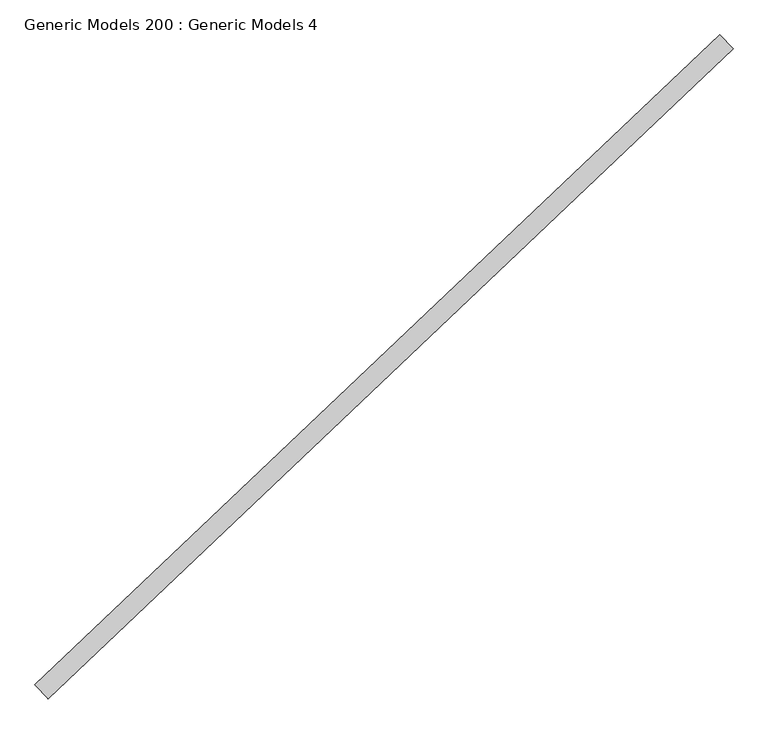
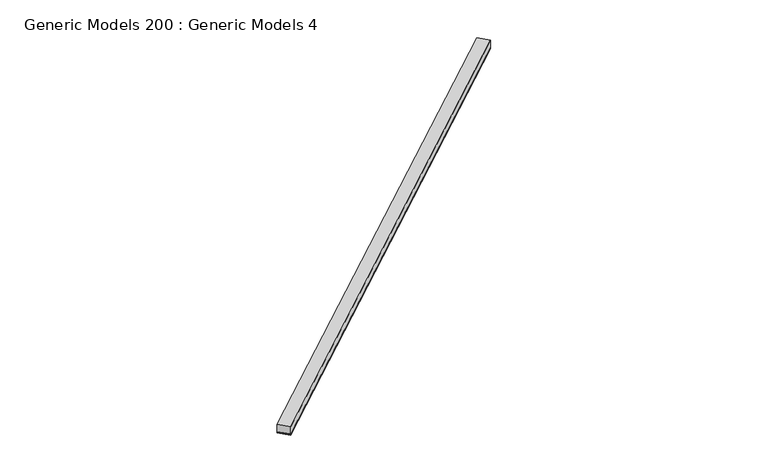
"""IFC4 building model written with IfcOpenShell, lengths in millimetres: proxy geometry, Generic Models 200 : Generic Models 4."""

from ifc_helpers import new_model, si_unit, point, frame, frame_2d, origin, place, context, project, spatial, polyline, circle_curve, trimmed, segment, composite_curve, outline, extrude, source, transform, mapped, element, save


def generic_models_200_generic_models_4_97971a11(model_context):
    return source(origin(), model_context, "Body", "SweptSolid", [
        extrude(outline(composite_curve([segment(polyline([(92.075, -9.128125), (0.0, -9.128125)]), True, "CONTINUOUS"), segment(trimmed(circle_curve(frame_2d((-4.4149557, -4.5640625)), 6.35), [point((0.0, -9.128125))], [point((0.0, 0.0))], True, "CARTESIAN"), True, "CONTINUOUS"), segment(polyline([(0.0, 0.0), (92.075, 0.0)]), True, "CONTINUOUS"), segment(trimmed(circle_curve(frame_2d((96.4899556, -4.5640625)), 6.35), [point((92.075, 0.0))], [point((92.075, -9.128125))], True, "CARTESIAN"), True, "CONTINUOUS")], self_intersect=False)), frame((99763.4645275, 57298.7606646, 16834.4378084), z_axis=(0.7253743710123147, 0.6883545756937256, 0.0), x_axis=(0.6883545756937256, -0.7253743710123147, 0.0)), (0.0, 0.0, 1.0), 4530.725),
        extrude(outline(polyline([(99826.844775, 57231.9718194), (99763.4645275, 57298.7606646), (103049.9363246, 60417.5059496), (103113.3165721, 60350.7171044), (99826.844775, 57231.9718194)])), frame((0.0, 0.0, 16843.9628084), z_axis=(0.0, 0.0, 1.0), x_axis=(1.0, 0.0, 0.0)), (0.0, 0.0, 1.0), 57.15),
    ])


if __name__ == "__main__":
    model = new_model("IFC4")
    model_context = context("Model", 3, world=origin())
    ifc_project = project(units=[si_unit("LENGTHUNIT", "METRE", prefix="MILLI")], contexts=[model_context])
    site = spatial("IfcSite", under=ifc_project)
    building = spatial("IfcBuilding", under=site)
    placement = place(None, origin())
    generic_models_200_generic_models_4_shape = generic_models_200_generic_models_4_97971a11(model_context)
    element("IfcBuildingElementProxy", 1, Name="Generic Models 200 : Generic Models 4", ObjectType="Generic Models 200 : Generic Models 4", at=placement, inside=building, context=model_context, shape_type="MappedRepresentation", body=[
        mapped(generic_models_200_generic_models_4_shape, transform((0.0, 0.0, 0.0), x_axis=(1.0, 0.0, 0.0), y_axis=(0.0, 1.0, 0.0), z_axis=(0.0, 0.0, 1.0))),
    ])
    save(model, "model.ifc")
